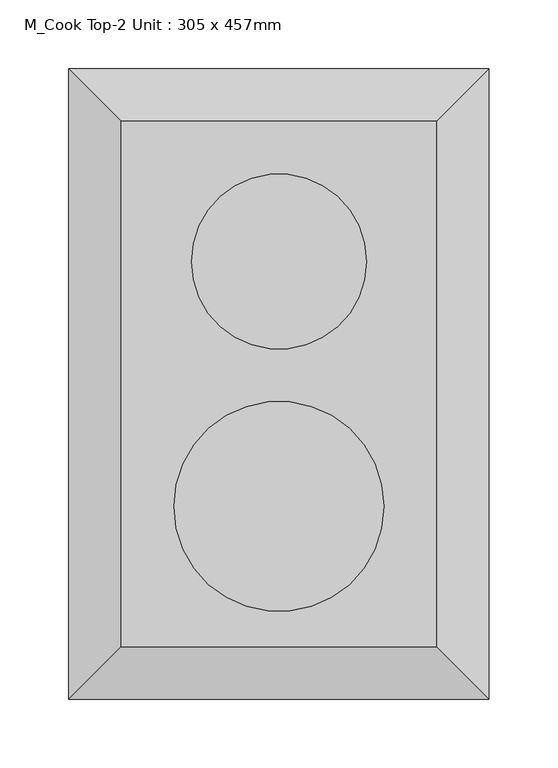
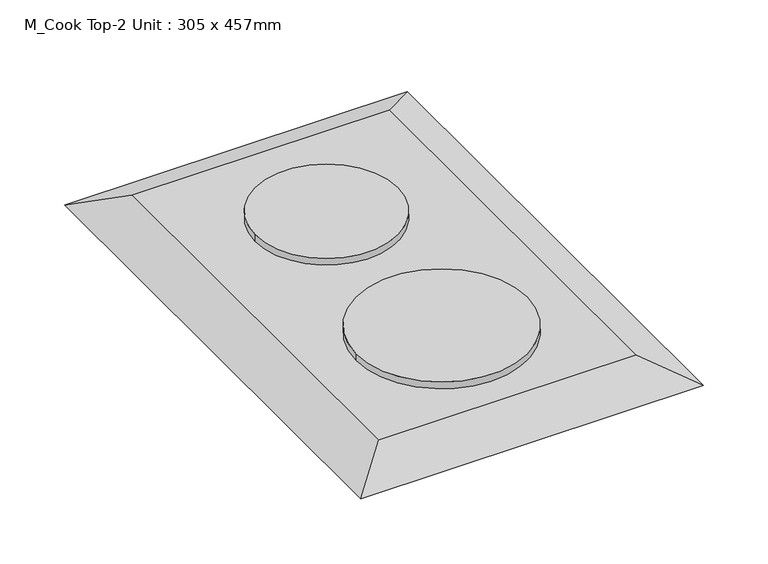
"""IFC4 building model written with IfcOpenShell, lengths in millimetres: proxy geometry, M_Cook Top-2 Unit : 305 x 457mm."""

from ifc_helpers import new_model, si_unit, point, frame, frame_2d, origin, place, context, project, spatial, circle_curve, trimmed, segment, composite_curve, outline, extrude, faceted_brep, source, transform, mapped, element, save


def m_cook_top_2_unit_305_x_457mm_f4027eb0(model_context):
    return source(origin(), model_context, "Body", "SolidModel", [
        extrude(outline(composite_curve([segment(trimmed(circle_curve(frame_2d((76.2, -119.0247956)), 76.2), [point((152.4, -119.0247956))], [point((0.0, -119.0247956))], False, "CARTESIAN"), True, "CONTINUOUS"), segment(trimmed(circle_curve(frame_2d((76.2, -119.0247956)), 76.2), [point((0.0, -119.0247956))], [point((152.4, -119.0247956))], False, "CARTESIAN"), True, "CONTINUOUS")], self_intersect=False)), frame((0.0, 0.0, 919.05), z_axis=(0.0, 0.0, 1.0), x_axis=(1.0, 0.0, 0.0)), (0.0, 0.0, 1.0), 6.35),
        extrude(outline(composite_curve([segment(trimmed(circle_curve(frame_2d((76.2, 58.5752044)), 63.5), [point((139.7, 58.5752044))], [point((12.7, 58.5752044))], False, "CARTESIAN"), True, "CONTINUOUS"), segment(trimmed(circle_curve(frame_2d((76.2, 58.5752044)), 63.5), [point((12.7, 58.5752044))], [point((139.7, 58.5752044))], False, "CARTESIAN"), True, "CONTINUOUS")], self_intersect=False)), frame((0.0, 0.0, 919.05), z_axis=(0.0, 0.0, 1.0), x_axis=(1.0, 0.0, 0.0)), (0.0, 0.0, 1.0), 6.35),
        faceted_brep([(190.6, -220.6247956, 919.05), (190.6, 160.1752044, 919.05), (-38.2, 160.1752044, 919.05), (-38.2, -220.6247956, 919.05), (228.7, -258.7247956, 900.0), (-76.3, -258.7247956, 900.0), (-76.3, 198.2752044, 900.0), (228.7, 198.2752044, 900.0)], [[[0, 1, 2, 3]], [[4, 5, 6, 7]], [[4, 0, 3, 5]], [[5, 3, 2, 6]], [[6, 2, 1, 7]], [[7, 1, 0, 4]]]),
    ])


if __name__ == "__main__":
    model = new_model("IFC4")
    model_context = context("Model", 3, world=origin())
    ifc_project = project(units=[si_unit("LENGTHUNIT", "METRE", prefix="MILLI")], contexts=[model_context])
    site = spatial("IfcSite", under=ifc_project)
    building = spatial("IfcBuilding", under=site)
    placement = place(None, origin())
    m_cook_top_2_unit_305_x_457mm_shape = m_cook_top_2_unit_305_x_457mm_f4027eb0(model_context)
    element("IfcBuildingElementProxy", 1, Name="M_Cook Top-2 Unit : 305 x 457mm", ObjectType="M_Cook Top-2 Unit : 305 x 457mm", at=placement, inside=building, context=model_context, shape_type="MappedRepresentation", body=[
        mapped(m_cook_top_2_unit_305_x_457mm_shape, transform((0.0, 0.0, 0.0), x_axis=(1.0, 0.0, 0.0), y_axis=(0.0, 1.0, 0.0), z_axis=(0.0, 0.0, 1.0))),
    ])
    save(model, "model.ifc")
